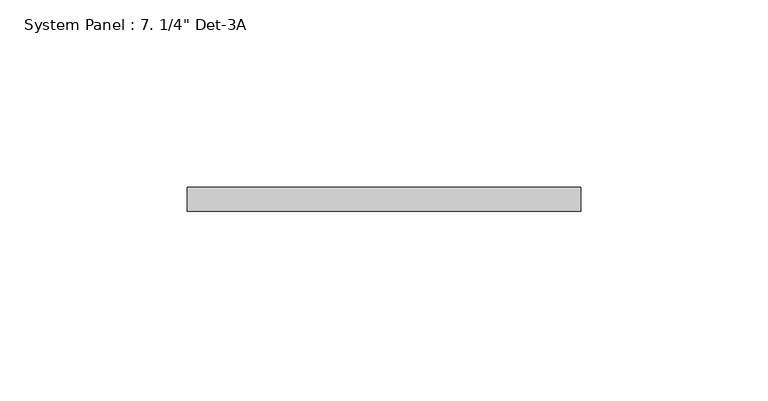
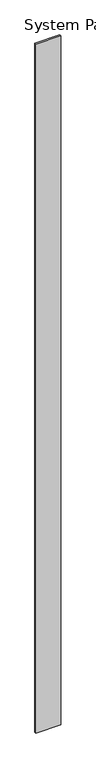
"""IFC4 building model written with IfcOpenShell, lengths in millimetres: plate geometry."""

import ifcopenshell
import ifcopenshell.guid

model = None  # the IFC model being written
_history = None  # IfcOwnerHistory: only IFC2X3 demands one
_inside = {}  # id of a spatial element -> (the spatial element, [elements in it])
_under = {}  # id of a project, library or spatial element -> (it, [spatial elements below it])
_declared = {}  # id of a project -> (the project, [libraries it declares])
_typed = {}  # id of a type object -> (the type object, [elements of that type])
_made_of = {}  # id of a material, layer set ... -> (it, [elements and type objects made of it])


def new_model(schema):
    """Start an empty IFC model of exactly this schema.

    Asked for "IFC4X3", IfcOpenShell would pick the latest addendum, in which some entities
    have other attributes; the version numbers below select the first issue.
    IFC2X3 requires an IfcOwnerHistory on every rooted entity: one is made here for all.
    """
    global model, _history
    if schema == "IFC4X3":
        model = ifcopenshell.file(schema_version=(4, 3, 0, 0))
    else:
        model = ifcopenshell.file(schema=schema)
    _inside.clear()
    _under.clear()
    _declared.clear()
    _typed.clear()
    _made_of.clear()
    _history = None
    if model.schema == "IFC2X3":
        org = make("IfcOrganization", Name="unknown")
        user = make(
            "IfcPersonAndOrganization",
            ThePerson=make("IfcPerson", FamilyName="unknown"),
            TheOrganization=org,
        )
        app = make(
            "IfcApplication",
            ApplicationDeveloper=org,
            Version="unknown",
            ApplicationFullName="unknown",
            ApplicationIdentifier="unknown",
        )
        _history = make(
            "IfcOwnerHistory",
            OwningUser=user,
            OwningApplication=app,
            ChangeAction="ADDED",
            CreationDate=0,
        )
    return model


def make(cls, **values):
    """One entity of the class cls with the attributes given. An attribute that is None is left unset."""
    return model.create_entity(
        cls, **{name: value for name, value in values.items() if value is not None}
    )


def rooted(cls, **values):
    """An entity with a GlobalId (a new one), such as an element, a storey or a relation."""
    return make(cls, GlobalId=ifcopenshell.guid.new(), OwnerHistory=_history, **values)


def si_unit(unit_type, name, prefix=None):
    """IfcSIUnit, for example si_unit("LENGTHUNIT", "METRE", prefix="MILLI")."""
    return make("IfcSIUnit", UnitType=unit_type, Prefix=prefix, Name=name)


def assignment(units):
    """IfcUnitAssignment: the units of a project."""
    return None if units is None else make("IfcUnitAssignment", Units=units)


def point(xyz):
    """IfcCartesianPoint."""
    return None if xyz is None else make("IfcCartesianPoint", Coordinates=xyz)


def direction(xyz):
    """IfcDirection."""
    return None if xyz is None else make("IfcDirection", DirectionRatios=xyz)


def frame(location, z_axis=None, x_axis=None):
    """IfcAxis2Placement3D, a coordinate frame: its origin and axes. An axis left out is left unset."""
    return make(
        "IfcAxis2Placement3D",
        Location=point(location),
        Axis=direction(z_axis),
        RefDirection=direction(x_axis),
    )


def origin():
    """The frame at (0, 0, 0) with its axes left unset."""
    return frame((0.0, 0.0, 0.0))


def origin_with_axes():
    """The frame at (0, 0, 0) with the z axis (0, 0, 1) and the x axis (1, 0, 0) written out."""
    return frame((0.0, 0.0, 0.0), z_axis=(0.0, 0.0, 1.0), x_axis=(1.0, 0.0, 0.0))


def place(relative_to, where):
    """IfcLocalPlacement: puts the frame where relative to a parent placement (None: the world)."""
    return make(
        "IfcLocalPlacement", PlacementRelTo=relative_to, RelativePlacement=where
    )


def context(
    kind, dimensions, precision=None, world=None, true_north=None, identifier=None
):
    """IfcGeometricRepresentationContext, for example the 3D "Model" context."""
    return make(
        "IfcGeometricRepresentationContext",
        ContextIdentifier=identifier,
        ContextType=kind,
        CoordinateSpaceDimension=dimensions,
        Precision=precision,
        WorldCoordinateSystem=world,
        TrueNorth=true_north,
    )


def project(units=None, contexts=None):
    """IfcProject with its units and contexts."""
    return rooted(
        "IfcProject",
        Name="project",
        RepresentationContexts=contexts,
        UnitsInContext=assignment(units),
    )


def spatial(cls, under=None, at=None, **own):
    """A site, building, storey or space (cls), placed at a placement, below another one or the project."""
    s = rooted(cls, ObjectPlacement=at, **own)
    if under is not None:
        _under.setdefault(under.id(), (under, []))[1].append(s)
    return s


def polyline(points):
    """IfcPolyline through the points."""
    return make("IfcPolyline", Points=[point(p) for p in points])


def outline(outer, holes=None, kind="AREA"):
    """IfcArbitraryClosedProfileDef: a profile drawn as a closed curve; with holes, ...WithVoids."""
    if holes is None:
        return make("IfcArbitraryClosedProfileDef", ProfileType=kind, OuterCurve=outer)
    return make(
        "IfcArbitraryProfileDefWithVoids",
        ProfileType=kind,
        OuterCurve=outer,
        InnerCurves=holes,
    )


def extrude(swept, where, along, depth):
    """IfcExtrudedAreaSolid: the profile swept, set in the frame where, extruded along a direction by depth."""
    return make(
        "IfcExtrudedAreaSolid",
        SweptArea=swept,
        Position=where,
        ExtrudedDirection=direction(along),
        Depth=depth,
    )


def shape(context_of_items, identifier, shape_type, items):
    """IfcShapeRepresentation: the items that make up one representation, for example the "Body"."""
    return make(
        "IfcShapeRepresentation",
        ContextOfItems=context_of_items,
        RepresentationIdentifier=identifier,
        RepresentationType=shape_type,
        Items=items,
    )


def source(mapping_origin, context_of_items, identifier, shape_type, items):
    """IfcRepresentationMap: a shape defined once, which mapped items show again and again."""
    return make(
        "IfcRepresentationMap",
        MappingOrigin=mapping_origin,
        MappedRepresentation=shape(context_of_items, identifier, shape_type, items),
    )


def transform(
    local_origin,
    x_axis=None,
    y_axis=None,
    z_axis=None,
    scale=None,
    scale2=None,
    scale3=None,
    uniform=True,
):
    """IfcCartesianTransformationOperator3D, or its non-uniform kind. x_axis, y_axis, z_axis: its Axis1, 2, 3."""
    if uniform:
        return make(
            "IfcCartesianTransformationOperator3D",
            Axis1=direction(x_axis),
            Axis2=direction(y_axis),
            LocalOrigin=point(local_origin),
            Scale=scale,
            Axis3=direction(z_axis),
        )
    return make(
        "IfcCartesianTransformationOperator3DnonUniform",
        Axis1=direction(x_axis),
        Axis2=direction(y_axis),
        LocalOrigin=point(local_origin),
        Scale=scale,
        Axis3=direction(z_axis),
        Scale2=scale2,
        Scale3=scale3,
    )


def mapped(mapping_source, mapping_target):
    """IfcMappedItem: shows the shape of a source again, moved by a transform."""
    return make(
        "IfcMappedItem", MappingSource=mapping_source, MappingTarget=mapping_target
    )


def made_of(thing, what):
    """Note that an element or type object is made of a material, layer set ...; save() writes the relation."""
    if what is not None:
        _made_of.setdefault(what.id(), (what, []))[1].append(thing)
    return thing


def element(
    cls,
    number,
    at=None,
    inside=None,
    cuts=None,
    type_object=None,
    material=None,
    context=None,
    identifier="Body",
    shape_type=None,
    held_by="IfcProductDefinitionShape",
    body=None,
    shapes=None,
    **own,
):
    """One element of the class cls, such as IfcWall. Its Tag is "e" and its number.

    at: its placement. inside: the storey or other place that contains it. cuts: it is an
    opening in that element (IfcRelVoidsElement). A single representation is given by context,
    identifier, shape_type and body (its items); several are given by shapes. held_by: the class
    of the entity that holds the representations. save() writes the other relations.
    """
    e = rooted(cls, Tag="e%d" % number, ObjectPlacement=at, **own)
    if body is not None:
        shapes = [shape(context, identifier, shape_type, body)]
    if shapes is not None:
        e.Representation = make(held_by, Representations=shapes)
    if inside is not None:
        _inside.setdefault(inside.id(), (inside, []))[1].append(e)
    if cuts is not None:
        rooted(
            "IfcRelVoidsElement", RelatingBuildingElement=cuts, RelatedOpeningElement=e
        )
    if type_object is not None:
        _typed.setdefault(type_object.id(), (type_object, []))[1].append(e)
    return made_of(e, material)


def aggregate(whole, parts):
    """IfcRelAggregates: a whole, such as a stair, and the parts it consists of."""
    return rooted("IfcRelAggregates", RelatingObject=whole, RelatedObjects=parts)


def save(model, path):
    """Write the relations noted so far, then the file.

    IfcRelAggregates (storeys below a building ...), IfcRelContainedInSpatialStructure (elements
    in a storey), IfcRelDefinesByType, IfcRelAssociatesMaterial and IfcRelDeclares: one each for
    every whole, place, type object, material and project.
    """
    for whole, parts in _under.values():
        aggregate(whole, parts)
    for where, things in _inside.values():
        rooted(
            "IfcRelContainedInSpatialStructure",
            RelatedElements=things,
            RelatingStructure=where,
        )
    for kind, things in _typed.values():
        rooted("IfcRelDefinesByType", RelatedObjects=things, RelatingType=kind)
    for what, things in _made_of.values():
        rooted("IfcRelAssociatesMaterial", RelatedObjects=things, RelatingMaterial=what)
    for by, libraries in _declared.values():
        rooted("IfcRelDeclares", RelatingContext=by, RelatedDefinitions=libraries)
    model.write(path)


def plate_4cf29e82(model_context):
    return source(origin(), model_context, "Body", "SweptSolid", [
        extrude(outline(polyline([(52.4051231, -6.35), (-52.4051231, -6.35), (-52.4051231, 0.0), (52.4051231, 0.0), (52.4051231, -6.35)])), origin_with_axes(), (0.0, 0.0, 1.0), 3048.0),
    ])


if __name__ == "__main__":
    model = new_model("IFC4")
    model_context = context("Model", 3, world=origin())
    ifc_project = project(units=[si_unit("LENGTHUNIT", "METRE", prefix="MILLI")], contexts=[model_context])
    site = spatial("IfcSite", under=ifc_project)
    building = spatial("IfcBuilding", under=site)
    placement = place(None, origin())
    plate_shape = plate_4cf29e82(model_context)
    element("IfcPlate", 1, ObjectType="System Panel : 7. 1/4\" Det-3A", at=placement, inside=building, context=model_context, shape_type="MappedRepresentation", body=[
        mapped(plate_shape, transform((0.0, 0.0, 0.0), x_axis=(1.0, 0.0, 0.0), y_axis=(0.0, 1.0, 0.0), z_axis=(0.0, 0.0, 1.0))),
    ])
    save(model, "model.ifc")
